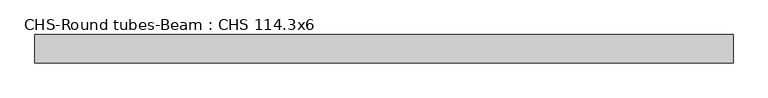
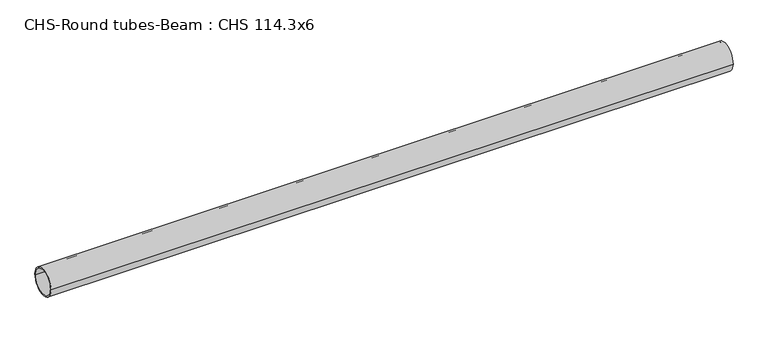
"""IFC4 building model written with IfcOpenShell, lengths in millimetres: beam geometry, CHS-Round tubes-Beam : CHS 114.3x6."""

import ifcopenshell
import ifcopenshell.guid

model = None  # the IFC model being written
_history = None  # IfcOwnerHistory: only IFC2X3 demands one
_inside = {}  # id of a spatial element -> (the spatial element, [elements in it])
_under = {}  # id of a project, library or spatial element -> (it, [spatial elements below it])
_declared = {}  # id of a project -> (the project, [libraries it declares])
_typed = {}  # id of a type object -> (the type object, [elements of that type])
_made_of = {}  # id of a material, layer set ... -> (it, [elements and type objects made of it])


def new_model(schema):
    """Start an empty IFC model of exactly this schema.

    Asked for "IFC4X3", IfcOpenShell would pick the latest addendum, in which some entities
    have other attributes; the version numbers below select the first issue.
    IFC2X3 requires an IfcOwnerHistory on every rooted entity: one is made here for all.
    """
    global model, _history
    if schema == "IFC4X3":
        model = ifcopenshell.file(schema_version=(4, 3, 0, 0))
    else:
        model = ifcopenshell.file(schema=schema)
    _inside.clear()
    _under.clear()
    _declared.clear()
    _typed.clear()
    _made_of.clear()
    _history = None
    if model.schema == "IFC2X3":
        org = make("IfcOrganization", Name="unknown")
        user = make(
            "IfcPersonAndOrganization",
            ThePerson=make("IfcPerson", FamilyName="unknown"),
            TheOrganization=org,
        )
        app = make(
            "IfcApplication",
            ApplicationDeveloper=org,
            Version="unknown",
            ApplicationFullName="unknown",
            ApplicationIdentifier="unknown",
        )
        _history = make(
            "IfcOwnerHistory",
            OwningUser=user,
            OwningApplication=app,
            ChangeAction="ADDED",
            CreationDate=0,
        )
    return model


def make(cls, **values):
    """One entity of the class cls with the attributes given. An attribute that is None is left unset."""
    return model.create_entity(
        cls, **{name: value for name, value in values.items() if value is not None}
    )


def rooted(cls, **values):
    """An entity with a GlobalId (a new one), such as an element, a storey or a relation."""
    return make(cls, GlobalId=ifcopenshell.guid.new(), OwnerHistory=_history, **values)


def si_unit(unit_type, name, prefix=None):
    """IfcSIUnit, for example si_unit("LENGTHUNIT", "METRE", prefix="MILLI")."""
    return make("IfcSIUnit", UnitType=unit_type, Prefix=prefix, Name=name)


def assignment(units):
    """IfcUnitAssignment: the units of a project."""
    return None if units is None else make("IfcUnitAssignment", Units=units)


def point(xyz):
    """IfcCartesianPoint."""
    return None if xyz is None else make("IfcCartesianPoint", Coordinates=xyz)


def direction(xyz):
    """IfcDirection."""
    return None if xyz is None else make("IfcDirection", DirectionRatios=xyz)


def frame(location, z_axis=None, x_axis=None):
    """IfcAxis2Placement3D, a coordinate frame: its origin and axes. An axis left out is left unset."""
    return make(
        "IfcAxis2Placement3D",
        Location=point(location),
        Axis=direction(z_axis),
        RefDirection=direction(x_axis),
    )


def frame_2d(location, x_axis=None):
    """IfcAxis2Placement2D, a coordinate frame in the plane: its origin and x axis."""
    return make(
        "IfcAxis2Placement2D", Location=point(location), RefDirection=direction(x_axis)
    )


def origin():
    """The frame at (0, 0, 0) with its axes left unset."""
    return frame((0.0, 0.0, 0.0))


def origin_2d():
    """The frame at (0, 0) in the plane with its x axis left unset."""
    return frame_2d((0.0, 0.0))


def place(relative_to, where):
    """IfcLocalPlacement: puts the frame where relative to a parent placement (None: the world)."""
    return make(
        "IfcLocalPlacement", PlacementRelTo=relative_to, RelativePlacement=where
    )


def context(
    kind, dimensions, precision=None, world=None, true_north=None, identifier=None
):
    """IfcGeometricRepresentationContext, for example the 3D "Model" context."""
    return make(
        "IfcGeometricRepresentationContext",
        ContextIdentifier=identifier,
        ContextType=kind,
        CoordinateSpaceDimension=dimensions,
        Precision=precision,
        WorldCoordinateSystem=world,
        TrueNorth=true_north,
    )


def project(units=None, contexts=None):
    """IfcProject with its units and contexts."""
    return rooted(
        "IfcProject",
        Name="project",
        RepresentationContexts=contexts,
        UnitsInContext=assignment(units),
    )


def spatial(cls, under=None, at=None, **own):
    """A site, building, storey or space (cls), placed at a placement, below another one or the project."""
    s = rooted(cls, ObjectPlacement=at, **own)
    if under is not None:
        _under.setdefault(under.id(), (under, []))[1].append(s)
    return s


def circle_curve(where, radius):
    """IfcCircle in the frame where."""
    return make("IfcCircle", Position=where, Radius=radius)


def trimmed(basis, trim1, trim2, sense, master):
    """IfcTrimmedCurve: the piece of a basis curve between two trims."""
    return make(
        "IfcTrimmedCurve",
        BasisCurve=basis,
        Trim1=trim1,
        Trim2=trim2,
        SenseAgreement=sense,
        MasterRepresentation=master,
    )


def segment(curve, same_sense, transition):
    """IfcCompositeCurveSegment."""
    return make(
        "IfcCompositeCurveSegment",
        Transition=transition,
        SameSense=same_sense,
        ParentCurve=curve,
    )


def composite_curve(segments, self_intersect=None):
    """IfcCompositeCurve: segments joined end to end."""
    return make("IfcCompositeCurve", Segments=segments, SelfIntersect=self_intersect)


def outline(outer, holes=None, kind="AREA"):
    """IfcArbitraryClosedProfileDef: a profile drawn as a closed curve; with holes, ...WithVoids."""
    if holes is None:
        return make("IfcArbitraryClosedProfileDef", ProfileType=kind, OuterCurve=outer)
    return make(
        "IfcArbitraryProfileDefWithVoids",
        ProfileType=kind,
        OuterCurve=outer,
        InnerCurves=holes,
    )


def extrude(swept, where, along, depth):
    """IfcExtrudedAreaSolid: the profile swept, set in the frame where, extruded along a direction by depth."""
    return make(
        "IfcExtrudedAreaSolid",
        SweptArea=swept,
        Position=where,
        ExtrudedDirection=direction(along),
        Depth=depth,
    )


def shape(context_of_items, identifier, shape_type, items):
    """IfcShapeRepresentation: the items that make up one representation, for example the "Body"."""
    return make(
        "IfcShapeRepresentation",
        ContextOfItems=context_of_items,
        RepresentationIdentifier=identifier,
        RepresentationType=shape_type,
        Items=items,
    )


def source(mapping_origin, context_of_items, identifier, shape_type, items):
    """IfcRepresentationMap: a shape defined once, which mapped items show again and again."""
    return make(
        "IfcRepresentationMap",
        MappingOrigin=mapping_origin,
        MappedRepresentation=shape(context_of_items, identifier, shape_type, items),
    )


def transform(
    local_origin,
    x_axis=None,
    y_axis=None,
    z_axis=None,
    scale=None,
    scale2=None,
    scale3=None,
    uniform=True,
):
    """IfcCartesianTransformationOperator3D, or its non-uniform kind. x_axis, y_axis, z_axis: its Axis1, 2, 3."""
    if uniform:
        return make(
            "IfcCartesianTransformationOperator3D",
            Axis1=direction(x_axis),
            Axis2=direction(y_axis),
            LocalOrigin=point(local_origin),
            Scale=scale,
            Axis3=direction(z_axis),
        )
    return make(
        "IfcCartesianTransformationOperator3DnonUniform",
        Axis1=direction(x_axis),
        Axis2=direction(y_axis),
        LocalOrigin=point(local_origin),
        Scale=scale,
        Axis3=direction(z_axis),
        Scale2=scale2,
        Scale3=scale3,
    )


def mapped(mapping_source, mapping_target):
    """IfcMappedItem: shows the shape of a source again, moved by a transform."""
    return make(
        "IfcMappedItem", MappingSource=mapping_source, MappingTarget=mapping_target
    )


def made_of(thing, what):
    """Note that an element or type object is made of a material, layer set ...; save() writes the relation."""
    if what is not None:
        _made_of.setdefault(what.id(), (what, []))[1].append(thing)
    return thing


def element(
    cls,
    number,
    at=None,
    inside=None,
    cuts=None,
    type_object=None,
    material=None,
    context=None,
    identifier="Body",
    shape_type=None,
    held_by="IfcProductDefinitionShape",
    body=None,
    shapes=None,
    **own,
):
    """One element of the class cls, such as IfcWall. Its Tag is "e" and its number.

    at: its placement. inside: the storey or other place that contains it. cuts: it is an
    opening in that element (IfcRelVoidsElement). A single representation is given by context,
    identifier, shape_type and body (its items); several are given by shapes. held_by: the class
    of the entity that holds the representations. save() writes the other relations.
    """
    e = rooted(cls, Tag="e%d" % number, ObjectPlacement=at, **own)
    if body is not None:
        shapes = [shape(context, identifier, shape_type, body)]
    if shapes is not None:
        e.Representation = make(held_by, Representations=shapes)
    if inside is not None:
        _inside.setdefault(inside.id(), (inside, []))[1].append(e)
    if cuts is not None:
        rooted(
            "IfcRelVoidsElement", RelatingBuildingElement=cuts, RelatedOpeningElement=e
        )
    if type_object is not None:
        _typed.setdefault(type_object.id(), (type_object, []))[1].append(e)
    return made_of(e, material)


def aggregate(whole, parts):
    """IfcRelAggregates: a whole, such as a stair, and the parts it consists of."""
    return rooted("IfcRelAggregates", RelatingObject=whole, RelatedObjects=parts)


def save(model, path):
    """Write the relations noted so far, then the file.

    IfcRelAggregates (storeys below a building ...), IfcRelContainedInSpatialStructure (elements
    in a storey), IfcRelDefinesByType, IfcRelAssociatesMaterial and IfcRelDeclares: one each for
    every whole, place, type object, material and project.
    """
    for whole, parts in _under.values():
        aggregate(whole, parts)
    for where, things in _inside.values():
        rooted(
            "IfcRelContainedInSpatialStructure",
            RelatedElements=things,
            RelatingStructure=where,
        )
    for kind, things in _typed.values():
        rooted("IfcRelDefinesByType", RelatedObjects=things, RelatingType=kind)
    for what, things in _made_of.values():
        rooted("IfcRelAssociatesMaterial", RelatedObjects=things, RelatingMaterial=what)
    for by, libraries in _declared.values():
        rooted("IfcRelDeclares", RelatingContext=by, RelatedDefinitions=libraries)
    model.write(path)


def chs_round_tubes_beam_chs_114_3x6_c4eccaf8(model_context):
    return source(origin(), model_context, "Body", "SweptSolid", [
        extrude(outline(composite_curve([segment(trimmed(circle_curve(origin_2d(), 57.15), [point((57.15, 0.0))], [point((-57.15, 0.0))], False, "CARTESIAN"), True, "CONTINUOUS"), segment(trimmed(circle_curve(origin_2d(), 57.15), [point((-57.15, 0.0))], [point((57.15, 0.0))], False, "CARTESIAN"), True, "CONTINUOUS")], self_intersect=False), holes=[composite_curve([segment(trimmed(circle_curve(origin_2d(), 51.15), [point((51.15, 0.0))], [point((-51.15, 0.0))], True, "CARTESIAN"), True, "CONTINUOUS"), segment(trimmed(circle_curve(origin_2d(), 51.15), [point((-51.15, 0.0))], [point((51.15, 0.0))], True, "CARTESIAN"), True, "CONTINUOUS")], self_intersect=False)]), frame((-1397.2379742, 0.0, 0.0), z_axis=(1.0, 0.0, 0.0), x_axis=(0.0, 1.0, 0.0)), (0.0, 0.0, 1.0), 2803.5658422),
    ])


if __name__ == "__main__":
    model = new_model("IFC4")
    model_context = context("Model", 3, world=origin())
    ifc_project = project(units=[si_unit("LENGTHUNIT", "METRE", prefix="MILLI")], contexts=[model_context])
    site = spatial("IfcSite", under=ifc_project)
    building = spatial("IfcBuilding", under=site)
    placement = place(None, origin())
    chs_round_tubes_beam_chs_114_3x6_shape = chs_round_tubes_beam_chs_114_3x6_c4eccaf8(model_context)
    element("IfcBeam", 1, ObjectType="CHS-Round tubes-Beam : CHS 114.3x6", at=placement, inside=building, context=model_context, shape_type="MappedRepresentation", body=[
        mapped(chs_round_tubes_beam_chs_114_3x6_shape, transform((0.0, 0.0, 0.0), x_axis=(1.0, 0.0, 0.0), y_axis=(0.0, 1.0, 0.0), z_axis=(0.0, 0.0, 1.0))),
    ])
    save(model, "model.ifc")
